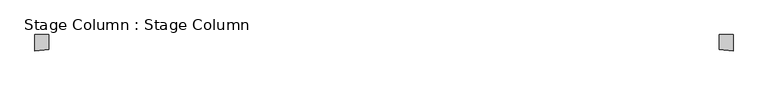
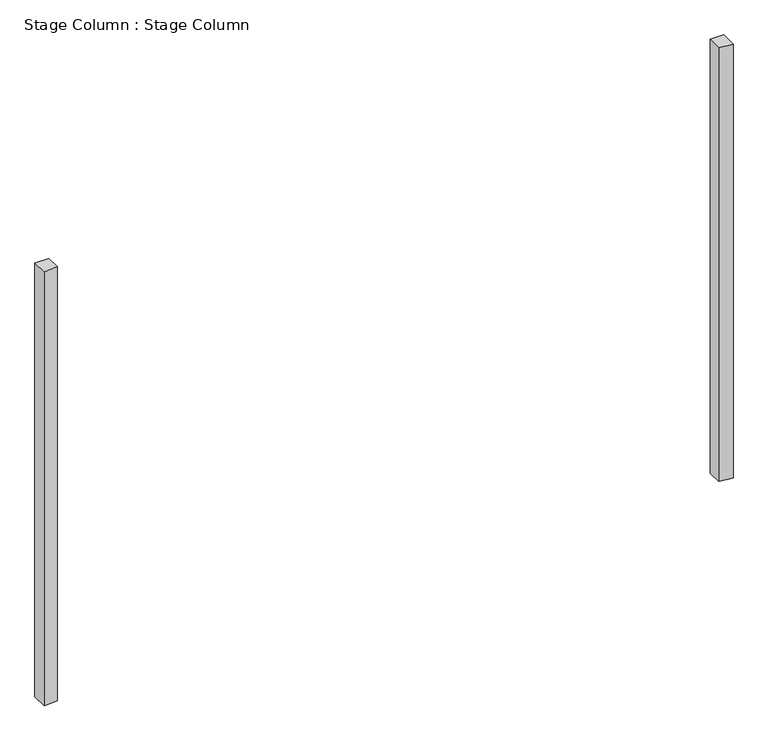
"""IFC4 building model written with IfcOpenShell, lengths in millimetres: column geometry, Stage Column : Stage Column."""

from ifc_helpers import new_model, si_unit, origin, origin_with_axes, place, context, project, spatial, polyline, outline, extrude, source, transform, mapped, element, save


def stage_column_stage_column_d6e6b513(model_context):
    return source(origin(), model_context, "Body", "SweptSolid", [
        extrude(outline(polyline([(11013.5985391, -5494.5701398), (11013.5985391, -5000.9162797), (11476.1134929, -5000.9162797), (11476.1134929, -5542.5722806), (11013.5985391, -5494.5701398)])), origin_with_axes(), (0.0, 0.0, 1.0), 15492.2809451),
        extrude(outline(polyline([(-11315.7871924, -5494.5701398), (-11778.3021463, -5542.5722806), (-11778.3021463, -5000.9162797), (-11315.7871924, -5000.9162797), (-11315.7871924, -5494.5701398)])), origin_with_axes(), (0.0, 0.0, 1.0), 15492.2809451),
    ])


if __name__ == "__main__":
    model = new_model("IFC4")
    model_context = context("Model", 3, world=origin())
    ifc_project = project(units=[si_unit("LENGTHUNIT", "METRE", prefix="MILLI")], contexts=[model_context])
    site = spatial("IfcSite", under=ifc_project)
    building = spatial("IfcBuilding", under=site)
    placement = place(None, origin())
    stage_column_stage_column_shape = stage_column_stage_column_d6e6b513(model_context)
    element("IfcColumn", 1, ObjectType="Stage Column : Stage Column", at=placement, inside=building, context=model_context, shape_type="MappedRepresentation", body=[
        mapped(stage_column_stage_column_shape, transform((0.0, 0.0, 0.0), x_axis=(1.0, 0.0, 0.0), y_axis=(0.0, 1.0, 0.0), z_axis=(0.0, 0.0, 1.0))),
    ])
    save(model, "model.ifc")
